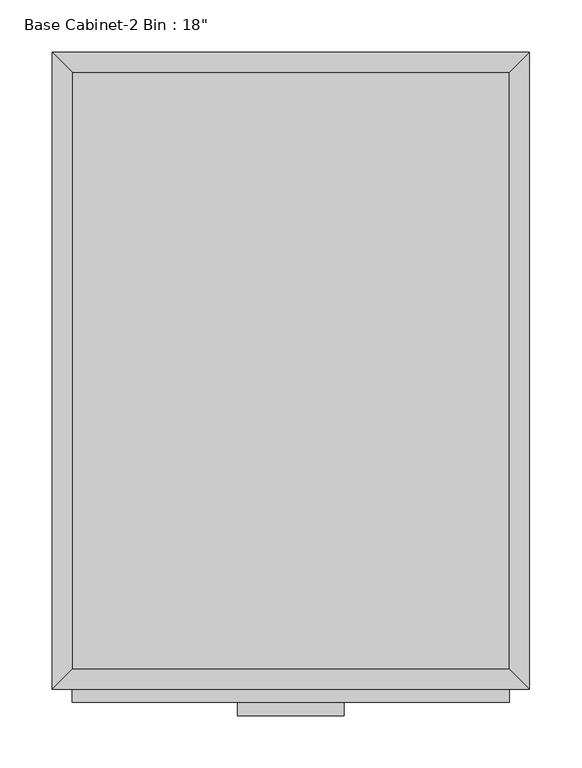
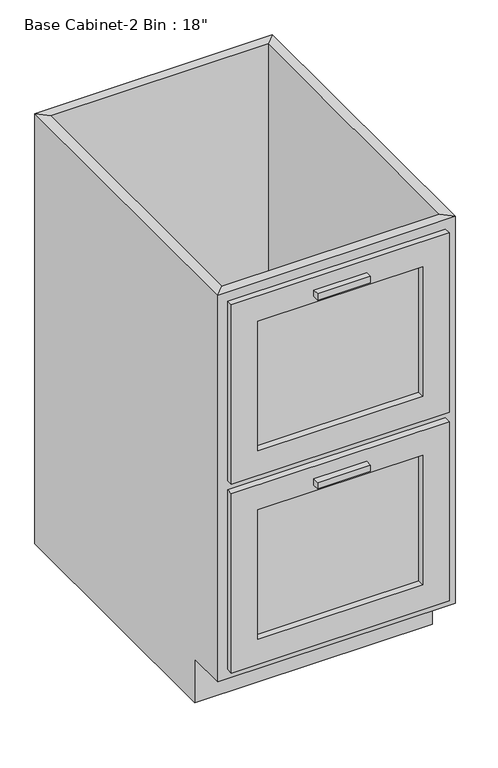
"""IFC4 building model written with IfcOpenShell, lengths in millimetres: furniture geometry."""

from ifc_helpers import new_model, si_unit, frame, origin, place, context, project, spatial, polyline, outline, extrude, faceted_brep, source, transform, mapped, element, save


def furniture_6aaee151(model_context):
    return source(origin(), model_context, "Body", "SolidModel", [
        extrude(outline(polyline([(69.5377049, -635.0), (-32.0622951, -635.0), (-32.0622951, -622.3), (69.5377049, -622.3), (69.5377049, -635.0)])), frame((0.0, 0.0, 819.15), z_axis=(0.0, 0.0, 1.0), x_axis=(1.0, 0.0, 0.0)), (0.0, 0.0, 1.0), 12.7),
        extrude(outline(polyline([(69.5377049, -635.0), (-32.0622951, -635.0), (-32.0622951, -622.3), (69.5377049, -622.3), (69.5377049, -635.0)])), frame((0.0, 0.0, 434.975), z_axis=(0.0, 0.0, 1.0), x_axis=(1.0, 0.0, 0.0)), (0.0, 0.0, 1.0), 12.7),
        extrude(outline(polyline([(857.25, 228.2877049), (857.25, -190.8122951), (492.125, -190.8122951), (492.125, 228.2877049), (857.25, 228.2877049)]), holes=[polyline([(806.45, 177.4877049), (542.925, 177.4877049), (542.925, -140.0122951), (806.45, -140.0122951), (806.45, 177.4877049)])]), frame((0.0, -622.3, 0.0), z_axis=(0.0, 1.0, 0.0), x_axis=(0.0, 0.0, 1.0)), (0.0, 0.0, 1.0), 12.7),
        extrude(outline(polyline([(473.075, 228.2877049), (473.075, -190.8122951), (107.95, -190.8122951), (107.95, 228.2877049), (473.075, 228.2877049)]), holes=[polyline([(422.275, 177.4877049), (158.75, 177.4877049), (158.75, -140.0122951), (422.275, -140.0122951), (422.275, 177.4877049)])]), frame((0.0, -622.3, 0.0), z_axis=(0.0, 1.0, 0.0), x_axis=(0.0, 0.0, 1.0)), (0.0, 0.0, 1.0), 12.7),
        extrude(outline(polyline([(177.4877049, -609.6), (-140.0122951, -609.6), (-140.0122951, -590.55), (177.4877049, -590.55), (177.4877049, -609.6)])), frame((0.0, 0.0, 542.925), z_axis=(0.0, 0.0, 1.0), x_axis=(1.0, 0.0, 0.0)), (0.0, 0.0, 1.0), 263.525),
        extrude(outline(polyline([(177.4877049, -609.6), (-140.0122951, -609.6), (-140.0122951, -590.55), (177.4877049, -590.55), (177.4877049, -609.6)])), frame((0.0, 0.0, 158.75), z_axis=(0.0, 0.0, 1.0), x_axis=(1.0, 0.0, 0.0)), (0.0, 0.0, 1.0), 263.525),
        extrude(outline(polyline([(228.2877049, -19.05), (228.2877049, -590.55), (-190.8122951, -590.55), (-190.8122951, -19.05), (228.2877049, -19.05)])), frame((0.0, 0.0, 88.9), z_axis=(0.0, 0.0, 1.0), x_axis=(1.0, 0.0, 0.0)), (0.0, 0.0, 1.0), 19.05),
        faceted_brep([(228.2877049, -590.55, 876.3), (228.2877049, -590.55, 88.9), (-190.8122951, -590.55, 88.9), (-190.8122951, -590.55, 876.3), (177.4877049, -590.55, 542.925), (177.4877049, -590.55, 806.45), (-140.0122951, -590.55, 806.45), (-140.0122951, -590.55, 542.925), (177.4877049, -590.55, 158.75), (177.4877049, -590.55, 422.275), (-140.0122951, -590.55, 422.275), (-140.0122951, -590.55, 158.75), (-209.8622951, -609.6, 876.3), (247.3377049, -609.6, 876.3), (-209.8622951, -609.6, 88.9), (247.3377049, -609.6, 88.9), (177.4877049, -609.6, 806.45), (177.4877049, -609.6, 542.925), (-140.0122951, -609.6, 542.925), (-140.0122951, -609.6, 806.45), (177.4877049, -609.6, 422.275), (177.4877049, -609.6, 158.75), (-140.0122951, -609.6, 158.75), (-140.0122951, -609.6, 422.275), (-190.8122951, -533.4, 88.9), (-190.8122951, -19.05, 88.9), (-190.8122951, -19.05, 876.3), (-209.8622951, 0.0, 876.3), (-209.8622951, 0.0, 0.0), (-209.8622951, -533.4, 0.0), (-209.8622951, -533.4, 88.9), (228.2877049, -19.05, 88.9), (228.2877049, -19.05, 876.3), (247.3377049, 0.0, 876.3), (247.3377049, 0.0, 0.0), (228.2877049, -533.4, 88.9), (247.3377049, -533.4, 88.9), (247.3377049, -533.4, 0.0)], [[[0, 1, 2, 3], [4, 5, 6, 7], [8, 9, 10, 11]], [[0, 3, 12, 13]], [[13, 12, 14, 15], [16, 17, 18, 19], [20, 21, 22, 23]], [[2, 1, 15, 14]], [[3, 2, 24, 25, 26]], [[12, 3, 26, 27]], [[14, 12, 27, 28, 29, 30]], [[2, 14, 30, 24]], [[26, 25, 31, 32]], [[27, 26, 32, 33]], [[27, 33, 34, 28]], [[1, 0, 32, 31, 35]], [[0, 13, 33, 32]], [[13, 15, 36, 37, 34, 33]], [[15, 1, 35, 36]], [[4, 17, 16, 5]], [[17, 4, 7, 18]], [[18, 7, 6, 19]], [[5, 16, 19, 6]], [[8, 21, 20, 9]], [[21, 8, 11, 22]], [[22, 11, 10, 23]], [[9, 20, 23, 10]], [[24, 35, 31, 25]], [[34, 37, 29, 28]], [[29, 37, 36, 35, 24, 30]]]),
    ])


if __name__ == "__main__":
    model = new_model("IFC4")
    model_context = context("Model", 3, world=origin())
    ifc_project = project(units=[si_unit("LENGTHUNIT", "METRE", prefix="MILLI")], contexts=[model_context])
    site = spatial("IfcSite", under=ifc_project)
    building = spatial("IfcBuilding", under=site)
    placement = place(None, origin())
    furniture_shape = furniture_6aaee151(model_context)
    element("IfcFurniture", 1, ObjectType="Base Cabinet-2 Bin : 18\"", at=placement, inside=building, context=model_context, shape_type="MappedRepresentation", body=[
        mapped(furniture_shape, transform((0.0, 0.0, 0.0), x_axis=(1.0, 0.0, 0.0), y_axis=(0.0, 1.0, 0.0), z_axis=(0.0, 0.0, 1.0))),
    ])
    save(model, "model.ifc")
